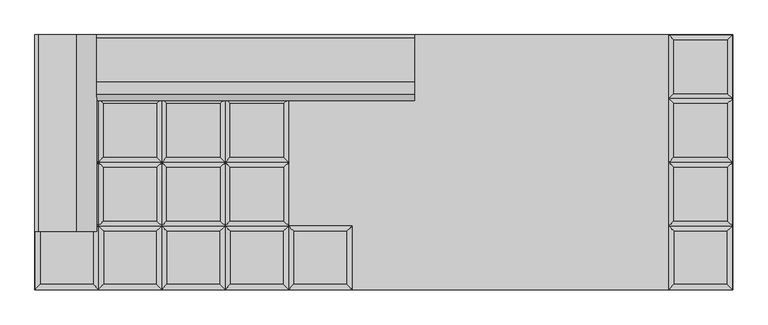
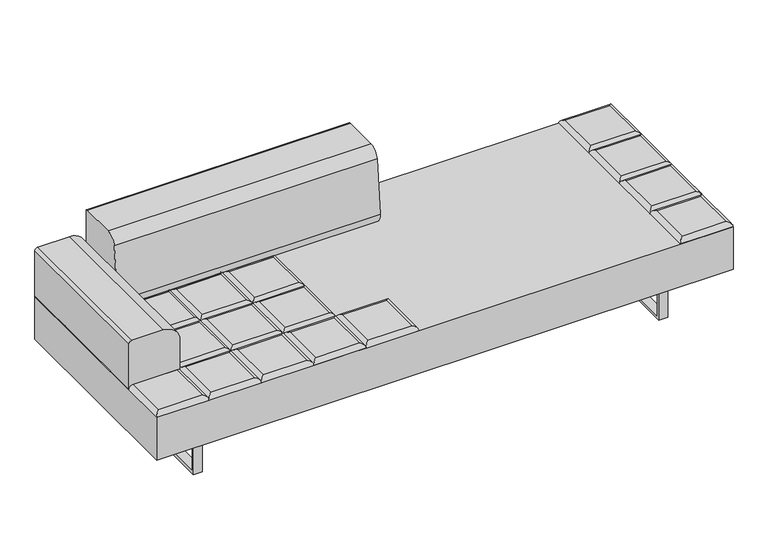
"""IFC4 building model written with IfcOpenShell, lengths in millimetres: furniture geometry."""

from ifc_helpers import new_model, si_unit, point, frame, frame_2d, origin, place, context, project, spatial, polyline, circle_curve, ellipse_curve, trimmed, segment, composite_curve, outline, extrude, source, transform, mapped, element, save
from ifc_brep_helpers import plane_surface, cylinder_surface, advanced_brep


def furniture_4aff1e0e(model_context):
    return source(origin(), model_context, "Body", "SolidModel", [
        advanced_brep(
        [(-109.855, -222.25, 393.7), (-127.8155122, -240.2105122, 411.6605122), (-127.8155122, -426.5394878, 411.6605122), (-109.855, -444.5, 393.7), (-314.1444878, -426.5394878, 411.6605122), (-332.105, -444.5, 393.7), (-314.1444878, -240.2105122, 411.6605122), (-332.105, -222.25, 393.7)],
        [
            (0, 1, ellipse_curve(frame((-127.8155122, -240.2105122, 393.7), z_axis=(0.7071067811865475, -0.7071067811865475, 0.0), x_axis=(0.7071067811865474, 0.7071067811865476, 0.0)), 25.4, 17.9605122)),
            (1, 2),
            (2, 3, ellipse_curve(frame((-127.8155122, -426.5394878, 393.7), z_axis=(0.7071067811865475, 0.7071067811865475, 0.0), x_axis=(-0.7071067811865474, 0.7071067811865476, 0.0)), 25.4, 17.9605122)),
            (3, 0),
            (2, 4),
            (4, 5, ellipse_curve(frame((-314.1444878, -426.5394878, 393.7), z_axis=(0.7071067811865475, -0.7071067811865475, 0.0), x_axis=(0.7071067811865476, 0.7071067811865474, 0.0)), 25.4, 17.9605122)),
            (5, 3),
            (4, 6),
            (6, 7, ellipse_curve(frame((-314.1444878, -240.2105122, 393.7), z_axis=(-0.7071067811865475, -0.7071067811865475, 0.0), x_axis=(0.7071067811865474, -0.7071067811865476, 0.0)), 25.4, 17.9605122)),
            (7, 5),
            (0, 7),
            (6, 1),
        ],
        [
            cylinder_surface(frame((-127.8155122, -222.25, 393.7), z_axis=(0.0, 1.0, 0.0), x_axis=(1.0, 0.0, 0.0)), 17.9605122),
            cylinder_surface(frame((-109.855, -426.5394878, 393.7), z_axis=(1.0, 0.0, 0.0), x_axis=(0.0, -1.0, 0.0)), 17.9605122),
            cylinder_surface(frame((-314.1444878, -444.5, 393.7), z_axis=(0.0, -1.0, 0.0), x_axis=(-1.0, 0.0, 0.0)), 17.9605122),
            cylinder_surface(frame((-332.105, -240.2105122, 393.7), z_axis=(-1.0, 0.0, 0.0), x_axis=(0.0, 1.0, 0.0)), 17.9605122),
            plane_surface(frame((-332.105, -222.25, 393.7), z_axis=(0.0, 0.0, -1.0), x_axis=(1.0, 0.0, 0.0))),
            plane_surface(frame((-314.1444878, -240.2105122, 411.6605122), z_axis=(0.0, 0.0, 1.0), x_axis=(-1.0, 0.0, 0.0))),
        ],
        [
            (0, [[1, 2, 3, 4]]),
            (1, [[-3, 5, 6, 7]]),
            (2, [[-6, 8, 9, 10]]),
            (3, [[-1, 11, -9, 12]]),
            (4, [[-4, -7, -10, -11]]),
            (5, [[-2, -12, -8, -5]]),
        ],
    ),
        advanced_brep(
        [(-348.7955122, -204.2894878, 411.6605122), (-348.7955122, -17.9605122, 411.6605122), (-535.1244878, -17.9605122, 411.6605122), (-535.1244878, -204.2894878, 411.6605122), (-330.835, 0.0, 393.7), (-330.835, -222.25, 393.7), (-553.085, -222.25, 393.7), (-553.085, 0.0, 393.7)],
        [
            (0, 1),
            (1, 2),
            (2, 3),
            (3, 0),
            (4, 5),
            (5, 6),
            (6, 7),
            (7, 4),
            (4, 1, ellipse_curve(frame((-348.7955122, -17.9605122, 393.7), z_axis=(0.7071067811865475, -0.7071067811865475, 0.0), x_axis=(0.7071067811865474, 0.7071067811865476, 0.0)), 25.4, 17.9605122)),
            (0, 5, ellipse_curve(frame((-348.7955122, -204.2894878, 393.7), z_axis=(0.7071067811865475, 0.7071067811865475, 0.0), x_axis=(-0.7071067811865474, 0.7071067811865476, 0.0)), 25.4, 17.9605122)),
            (3, 6, ellipse_curve(frame((-535.1244878, -204.2894878, 393.7), z_axis=(0.7071067811865475, -0.7071067811865475, 0.0), x_axis=(0.7071067811865476, 0.7071067811865474, 0.0)), 25.4, 17.9605122)),
            (2, 7, ellipse_curve(frame((-535.1244878, -17.9605122, 393.7), z_axis=(-0.7071067811865475, -0.7071067811865475, 0.0), x_axis=(0.7071067811865474, -0.7071067811865476, 0.0)), 25.4, 17.9605122)),
        ],
        [
            plane_surface(frame((-535.1244878, -17.9605122, 411.6605122), z_axis=(0.0, 0.0, 1.0), x_axis=(-1.0, 0.0, 0.0))),
            plane_surface(frame((-535.1244878, -17.9605122, 393.7), z_axis=(0.0, 0.0, -1.0), x_axis=(1.0, 0.0, 0.0))),
            cylinder_surface(frame((-348.7955122, 0.0, 393.7), z_axis=(0.0, 1.0, 0.0), x_axis=(1.0, 0.0, 0.0)), 17.9605122),
            cylinder_surface(frame((-330.835, -204.2894878, 393.7), z_axis=(1.0, 0.0, 0.0), x_axis=(0.0, -1.0, 0.0)), 17.9605122),
            cylinder_surface(frame((-535.1244878, -222.25, 393.7), z_axis=(0.0, -1.0, 0.0), x_axis=(-1.0, 0.0, 0.0)), 17.9605122),
            cylinder_surface(frame((-553.085, -17.9605122, 393.7), z_axis=(-1.0, 0.0, 0.0), x_axis=(0.0, 1.0, 0.0)), 17.9605122),
        ],
        [
            (0, [[1, 2, 3, 4]]),
            (1, [[5, 6, 7, 8]]),
            (2, [[9, -1, 10, -5]]),
            (3, [[-10, -4, 11, -6]]),
            (4, [[-11, -3, 12, -7]]),
            (5, [[-9, -8, -12, -2]]),
        ],
    ),
        advanced_brep(
        [(-348.7955122, 17.9605122, 411.6605122), (-348.7955122, 204.2894878, 411.6605122), (-535.1244878, 204.2894878, 411.6605122), (-535.1244878, 17.9605122, 411.6605122), (-330.835, 222.25, 393.7), (-330.835, 0.0, 393.7), (-553.085, 0.0, 393.7), (-553.085, 222.25, 393.7)],
        [
            (0, 1),
            (1, 2),
            (2, 3),
            (3, 0),
            (4, 5),
            (5, 6),
            (6, 7),
            (7, 4),
            (4, 1, ellipse_curve(frame((-348.7955122, 204.2894878, 393.7), z_axis=(0.7071067811865475, -0.7071067811865475, 0.0), x_axis=(0.7071067811865474, 0.7071067811865476, 0.0)), 25.4, 17.9605122)),
            (0, 5, ellipse_curve(frame((-348.7955122, 17.9605122, 393.7), z_axis=(0.7071067811865475, 0.7071067811865475, 0.0), x_axis=(-0.7071067811865474, 0.7071067811865476, 0.0)), 25.4, 17.9605122)),
            (3, 6, ellipse_curve(frame((-535.1244878, 17.9605122, 393.7), z_axis=(0.7071067811865475, -0.7071067811865475, 0.0), x_axis=(0.7071067811865476, 0.7071067811865474, 0.0)), 25.4, 17.9605122)),
            (2, 7, ellipse_curve(frame((-535.1244878, 204.2894878, 393.7), z_axis=(-0.7071067811865475, -0.7071067811865475, 0.0), x_axis=(0.7071067811865474, -0.7071067811865476, 0.0)), 25.4, 17.9605122)),
        ],
        [
            plane_surface(frame((-535.1244878, 204.2894878, 411.6605122), z_axis=(0.0, 0.0, 1.0), x_axis=(-1.0, 0.0, 0.0))),
            plane_surface(frame((-535.1244878, 204.2894878, 393.7), z_axis=(0.0, 0.0, -1.0), x_axis=(1.0, 0.0, 0.0))),
            cylinder_surface(frame((-348.7955122, 222.25, 393.7), z_axis=(0.0, 1.0, 0.0), x_axis=(1.0, 0.0, 0.0)), 17.9605122),
            cylinder_surface(frame((-330.835, 17.9605122, 393.7), z_axis=(1.0, 0.0, 0.0), x_axis=(0.0, -1.0, 0.0)), 17.9605122),
            cylinder_surface(frame((-535.1244878, 0.0, 393.7), z_axis=(0.0, -1.0, 0.0), x_axis=(-1.0, 0.0, 0.0)), 17.9605122),
            cylinder_surface(frame((-553.085, 204.2894878, 393.7), z_axis=(-1.0, 0.0, 0.0), x_axis=(0.0, 1.0, 0.0)), 17.9605122),
        ],
        [
            (0, [[1, 2, 3, 4]]),
            (1, [[5, 6, 7, 8]]),
            (2, [[9, -1, 10, -5]]),
            (3, [[-10, -4, 11, -6]]),
            (4, [[-11, -3, 12, -7]]),
            (5, [[-9, -8, -12, -2]]),
        ],
    ),
        advanced_brep(
        [(-348.7955122, 240.2105122, 411.6605122), (-348.7955122, 426.5394878, 411.6605122), (-535.1244878, 426.5394878, 411.6605122), (-535.1244878, 240.2105122, 411.6605122), (-330.835, 444.5, 393.7), (-330.835, 222.25, 393.7), (-553.085, 222.25, 393.7), (-553.085, 444.5, 393.7)],
        [
            (0, 1),
            (1, 2),
            (2, 3),
            (3, 0),
            (4, 5),
            (5, 6),
            (6, 7),
            (7, 4),
            (4, 1, ellipse_curve(frame((-348.7955122, 426.5394878, 393.7), z_axis=(0.7071067811865475, -0.7071067811865475, 0.0), x_axis=(0.7071067811865474, 0.7071067811865476, 0.0)), 25.4, 17.9605122)),
            (0, 5, ellipse_curve(frame((-348.7955122, 240.2105122, 393.7), z_axis=(0.7071067811865475, 0.7071067811865475, 0.0), x_axis=(-0.7071067811865474, 0.7071067811865476, 0.0)), 25.4, 17.9605122)),
            (3, 6, ellipse_curve(frame((-535.1244878, 240.2105122, 393.7), z_axis=(0.7071067811865475, -0.7071067811865475, 0.0), x_axis=(0.7071067811865476, 0.7071067811865474, 0.0)), 25.4, 17.9605122)),
            (2, 7, ellipse_curve(frame((-535.1244878, 426.5394878, 393.7), z_axis=(-0.7071067811865475, -0.7071067811865475, 0.0), x_axis=(0.7071067811865474, -0.7071067811865476, 0.0)), 25.4, 17.9605122)),
        ],
        [
            plane_surface(frame((-535.1244878, 426.5394878, 411.6605122), z_axis=(0.0, 0.0, 1.0), x_axis=(-1.0, 0.0, 0.0))),
            plane_surface(frame((-535.1244878, 426.5394878, 393.7), z_axis=(0.0, 0.0, -1.0), x_axis=(1.0, 0.0, 0.0))),
            cylinder_surface(frame((-348.7955122, 444.5, 393.7), z_axis=(0.0, 1.0, 0.0), x_axis=(1.0, 0.0, 0.0)), 17.9605122),
            cylinder_surface(frame((-330.835, 240.2105122, 393.7), z_axis=(1.0, 0.0, 0.0), x_axis=(0.0, -1.0, 0.0)), 17.9605122),
            cylinder_surface(frame((-535.1244878, 222.25, 393.7), z_axis=(0.0, -1.0, 0.0), x_axis=(-1.0, 0.0, 0.0)), 17.9605122),
            cylinder_surface(frame((-553.085, 426.5394878, 393.7), z_axis=(-1.0, 0.0, 0.0), x_axis=(0.0, 1.0, 0.0)), 17.9605122),
        ],
        [
            (0, [[1, 2, 3, 4]]),
            (1, [[5, 6, 7, 8]]),
            (2, [[9, -1, 10, -5]]),
            (3, [[-10, -4, 11, -6]]),
            (4, [[-11, -3, 12, -7]]),
            (5, [[-9, -8, -12, -2]]),
        ],
    ),
        advanced_brep(
        [(-330.835, -222.25, 393.7), (-348.7955122, -240.2105122, 411.6605122), (-348.7955122, -426.5394878, 411.6605122), (-330.835, -444.5, 393.7), (-535.1244878, -426.5394878, 411.6605122), (-553.085, -444.5, 393.7), (-535.1244878, -240.2105122, 411.6605122), (-553.085, -222.25, 393.7)],
        [
            (0, 1, ellipse_curve(frame((-348.7955122, -240.2105122, 393.7), z_axis=(0.7071067811865475, -0.7071067811865475, 0.0), x_axis=(0.7071067811865474, 0.7071067811865476, 0.0)), 25.4, 17.9605122)),
            (1, 2),
            (2, 3, ellipse_curve(frame((-348.7955122, -426.5394878, 393.7), z_axis=(0.7071067811865475, 0.7071067811865475, 0.0), x_axis=(-0.7071067811865474, 0.7071067811865476, 0.0)), 25.4, 17.9605122)),
            (3, 0),
            (2, 4),
            (4, 5, ellipse_curve(frame((-535.1244878, -426.5394878, 393.7), z_axis=(0.7071067811865475, -0.7071067811865475, 0.0), x_axis=(0.7071067811865476, 0.7071067811865474, 0.0)), 25.4, 17.9605122)),
            (5, 3),
            (4, 6),
            (6, 7, ellipse_curve(frame((-535.1244878, -240.2105122, 393.7), z_axis=(-0.7071067811865475, -0.7071067811865475, 0.0), x_axis=(0.7071067811865474, -0.7071067811865476, 0.0)), 25.4, 17.9605122)),
            (7, 5),
            (0, 7),
            (6, 1),
        ],
        [
            cylinder_surface(frame((-348.7955122, -222.25, 393.7), z_axis=(0.0, 1.0, 0.0), x_axis=(1.0, 0.0, 0.0)), 17.9605122),
            cylinder_surface(frame((-330.835, -426.5394878, 393.7), z_axis=(1.0, 0.0, 0.0), x_axis=(0.0, -1.0, 0.0)), 17.9605122),
            cylinder_surface(frame((-535.1244878, -444.5, 393.7), z_axis=(0.0, -1.0, 0.0), x_axis=(-1.0, 0.0, 0.0)), 17.9605122),
            cylinder_surface(frame((-553.085, -240.2105122, 393.7), z_axis=(-1.0, 0.0, 0.0), x_axis=(0.0, 1.0, 0.0)), 17.9605122),
            plane_surface(frame((-553.085, -222.25, 393.7), z_axis=(0.0, 0.0, -1.0), x_axis=(1.0, 0.0, 0.0))),
            plane_surface(frame((-535.1244878, -240.2105122, 411.6605122), z_axis=(0.0, 0.0, 1.0), x_axis=(-1.0, 0.0, 0.0))),
        ],
        [
            (0, [[1, 2, 3, 4]]),
            (1, [[-3, 5, 6, 7]]),
            (2, [[-6, 8, 9, 10]]),
            (3, [[-1, 11, -9, 12]]),
            (4, [[-4, -7, -10, -11]]),
            (5, [[-2, -12, -8, -5]]),
        ],
    ),
        advanced_brep(
        [(-569.7755122, -204.2894878, 411.6605122), (-569.7755122, -17.9605122, 411.6605122), (-756.1044878, -17.9605122, 411.6605122), (-756.1044878, -204.2894878, 411.6605122), (-551.815, 0.0, 393.7), (-551.815, -222.25, 393.7), (-774.065, -222.25, 393.7), (-774.065, 0.0, 393.7)],
        [
            (0, 1),
            (1, 2),
            (2, 3),
            (3, 0),
            (4, 5),
            (5, 6),
            (6, 7),
            (7, 4),
            (4, 1, ellipse_curve(frame((-569.7755122, -17.9605122, 393.7), z_axis=(0.7071067811865475, -0.7071067811865475, 0.0), x_axis=(0.7071067811865474, 0.7071067811865476, 0.0)), 25.4, 17.9605122)),
            (0, 5, ellipse_curve(frame((-569.7755122, -204.2894878, 393.7), z_axis=(0.7071067811865475, 0.7071067811865475, 0.0), x_axis=(-0.7071067811865474, 0.7071067811865476, 0.0)), 25.4, 17.9605122)),
            (3, 6, ellipse_curve(frame((-756.1044878, -204.2894878, 393.7), z_axis=(0.7071067811865475, -0.7071067811865475, 0.0), x_axis=(0.7071067811865476, 0.7071067811865474, 0.0)), 25.4, 17.9605122)),
            (2, 7, ellipse_curve(frame((-756.1044878, -17.9605122, 393.7), z_axis=(-0.7071067811865475, -0.7071067811865475, 0.0), x_axis=(0.7071067811865474, -0.7071067811865476, 0.0)), 25.4, 17.9605122)),
        ],
        [
            plane_surface(frame((-756.1044878, -17.9605122, 411.6605122), z_axis=(0.0, 0.0, 1.0), x_axis=(-1.0, 0.0, 0.0))),
            plane_surface(frame((-756.1044878, -17.9605122, 393.7), z_axis=(0.0, 0.0, -1.0), x_axis=(1.0, 0.0, 0.0))),
            cylinder_surface(frame((-569.7755122, 0.0, 393.7), z_axis=(0.0, 1.0, 0.0), x_axis=(1.0, 0.0, 0.0)), 17.9605122),
            cylinder_surface(frame((-551.815, -204.2894878, 393.7), z_axis=(1.0, 0.0, 0.0), x_axis=(0.0, -1.0, 0.0)), 17.9605122),
            cylinder_surface(frame((-756.1044878, -222.25, 393.7), z_axis=(0.0, -1.0, 0.0), x_axis=(-1.0, 0.0, 0.0)), 17.9605122),
            cylinder_surface(frame((-774.065, -17.9605122, 393.7), z_axis=(-1.0, 0.0, 0.0), x_axis=(0.0, 1.0, 0.0)), 17.9605122),
        ],
        [
            (0, [[1, 2, 3, 4]]),
            (1, [[5, 6, 7, 8]]),
            (2, [[9, -1, 10, -5]]),
            (3, [[-10, -4, 11, -6]]),
            (4, [[-11, -3, 12, -7]]),
            (5, [[-9, -8, -12, -2]]),
        ],
    ),
        advanced_brep(
        [(-569.7755122, 17.9605122, 411.6605122), (-569.7755122, 204.2894878, 411.6605122), (-756.1044878, 204.2894878, 411.6605122), (-756.1044878, 17.9605122, 411.6605122), (-551.815, 222.25, 393.7), (-551.815, 0.0, 393.7), (-774.065, 0.0, 393.7), (-774.065, 222.25, 393.7)],
        [
            (0, 1),
            (1, 2),
            (2, 3),
            (3, 0),
            (4, 5),
            (5, 6),
            (6, 7),
            (7, 4),
            (4, 1, ellipse_curve(frame((-569.7755122, 204.2894878, 393.7), z_axis=(0.7071067811865475, -0.7071067811865475, 0.0), x_axis=(0.7071067811865474, 0.7071067811865476, 0.0)), 25.4, 17.9605122)),
            (0, 5, ellipse_curve(frame((-569.7755122, 17.9605122, 393.7), z_axis=(0.7071067811865475, 0.7071067811865475, 0.0), x_axis=(-0.7071067811865474, 0.7071067811865476, 0.0)), 25.4, 17.9605122)),
            (3, 6, ellipse_curve(frame((-756.1044878, 17.9605122, 393.7), z_axis=(0.7071067811865475, -0.7071067811865475, 0.0), x_axis=(0.7071067811865476, 0.7071067811865474, 0.0)), 25.4, 17.9605122)),
            (2, 7, ellipse_curve(frame((-756.1044878, 204.2894878, 393.7), z_axis=(-0.7071067811865475, -0.7071067811865475, 0.0), x_axis=(0.7071067811865474, -0.7071067811865476, 0.0)), 25.4, 17.9605122)),
        ],
        [
            plane_surface(frame((-756.1044878, 204.2894878, 411.6605122), z_axis=(0.0, 0.0, 1.0), x_axis=(-1.0, 0.0, 0.0))),
            plane_surface(frame((-756.1044878, 204.2894878, 393.7), z_axis=(0.0, 0.0, -1.0), x_axis=(1.0, 0.0, 0.0))),
            cylinder_surface(frame((-569.7755122, 222.25, 393.7), z_axis=(0.0, 1.0, 0.0), x_axis=(1.0, 0.0, 0.0)), 17.9605122),
            cylinder_surface(frame((-551.815, 17.9605122, 393.7), z_axis=(1.0, 0.0, 0.0), x_axis=(0.0, -1.0, 0.0)), 17.9605122),
            cylinder_surface(frame((-756.1044878, 0.0, 393.7), z_axis=(0.0, -1.0, 0.0), x_axis=(-1.0, 0.0, 0.0)), 17.9605122),
            cylinder_surface(frame((-774.065, 204.2894878, 393.7), z_axis=(-1.0, 0.0, 0.0), x_axis=(0.0, 1.0, 0.0)), 17.9605122),
        ],
        [
            (0, [[1, 2, 3, 4]]),
            (1, [[5, 6, 7, 8]]),
            (2, [[9, -1, 10, -5]]),
            (3, [[-10, -4, 11, -6]]),
            (4, [[-11, -3, 12, -7]]),
            (5, [[-9, -8, -12, -2]]),
        ],
    ),
        advanced_brep(
        [(-569.7755122, 240.2105122, 411.6605122), (-569.7755122, 426.5394878, 411.6605122), (-756.1044878, 426.5394878, 411.6605122), (-756.1044878, 240.2105122, 411.6605122), (-551.815, 444.5, 393.7), (-551.815, 222.25, 393.7), (-774.065, 222.25, 393.7), (-774.065, 444.5, 393.7)],
        [
            (0, 1),
            (1, 2),
            (2, 3),
            (3, 0),
            (4, 5),
            (5, 6),
            (6, 7),
            (7, 4),
            (4, 1, ellipse_curve(frame((-569.7755122, 426.5394878, 393.7), z_axis=(0.7071067811865475, -0.7071067811865475, 0.0), x_axis=(0.7071067811865474, 0.7071067811865476, 0.0)), 25.4, 17.9605122)),
            (0, 5, ellipse_curve(frame((-569.7755122, 240.2105122, 393.7), z_axis=(0.7071067811865475, 0.7071067811865475, 0.0), x_axis=(-0.7071067811865474, 0.7071067811865476, 0.0)), 25.4, 17.9605122)),
            (3, 6, ellipse_curve(frame((-756.1044878, 240.2105122, 393.7), z_axis=(0.7071067811865475, -0.7071067811865475, 0.0), x_axis=(0.7071067811865476, 0.7071067811865474, 0.0)), 25.4, 17.9605122)),
            (2, 7, ellipse_curve(frame((-756.1044878, 426.5394878, 393.7), z_axis=(-0.7071067811865475, -0.7071067811865475, 0.0), x_axis=(0.7071067811865474, -0.7071067811865476, 0.0)), 25.4, 17.9605122)),
        ],
        [
            plane_surface(frame((-756.1044878, 426.5394878, 411.6605122), z_axis=(0.0, 0.0, 1.0), x_axis=(-1.0, 0.0, 0.0))),
            plane_surface(frame((-756.1044878, 426.5394878, 393.7), z_axis=(0.0, 0.0, -1.0), x_axis=(1.0, 0.0, 0.0))),
            cylinder_surface(frame((-569.7755122, 444.5, 393.7), z_axis=(0.0, 1.0, 0.0), x_axis=(1.0, 0.0, 0.0)), 17.9605122),
            cylinder_surface(frame((-551.815, 240.2105122, 393.7), z_axis=(1.0, 0.0, 0.0), x_axis=(0.0, -1.0, 0.0)), 17.9605122),
            cylinder_surface(frame((-756.1044878, 222.25, 393.7), z_axis=(0.0, -1.0, 0.0), x_axis=(-1.0, 0.0, 0.0)), 17.9605122),
            cylinder_surface(frame((-774.065, 426.5394878, 393.7), z_axis=(-1.0, 0.0, 0.0), x_axis=(0.0, 1.0, 0.0)), 17.9605122),
        ],
        [
            (0, [[1, 2, 3, 4]]),
            (1, [[5, 6, 7, 8]]),
            (2, [[9, -1, 10, -5]]),
            (3, [[-10, -4, 11, -6]]),
            (4, [[-11, -3, 12, -7]]),
            (5, [[-9, -8, -12, -2]]),
        ],
    ),
        advanced_brep(
        [(-551.815, -222.25, 393.7), (-569.7755122, -240.2105122, 411.6605122), (-569.7755122, -426.5394878, 411.6605122), (-551.815, -444.5, 393.7), (-756.1044878, -426.5394878, 411.6605122), (-774.065, -444.5, 393.7), (-756.1044878, -240.2105122, 411.6605122), (-774.065, -222.25, 393.7)],
        [
            (0, 1, ellipse_curve(frame((-569.7755122, -240.2105122, 393.7), z_axis=(0.7071067811865475, -0.7071067811865475, 0.0), x_axis=(0.7071067811865474, 0.7071067811865476, 0.0)), 25.4, 17.9605122)),
            (1, 2),
            (2, 3, ellipse_curve(frame((-569.7755122, -426.5394878, 393.7), z_axis=(0.7071067811865475, 0.7071067811865475, 0.0), x_axis=(-0.7071067811865474, 0.7071067811865476, 0.0)), 25.4, 17.9605122)),
            (3, 0),
            (2, 4),
            (4, 5, ellipse_curve(frame((-756.1044878, -426.5394878, 393.7), z_axis=(0.7071067811865475, -0.7071067811865475, 0.0), x_axis=(0.7071067811865476, 0.7071067811865474, 0.0)), 25.4, 17.9605122)),
            (5, 3),
            (4, 6),
            (6, 7, ellipse_curve(frame((-756.1044878, -240.2105122, 393.7), z_axis=(-0.7071067811865475, -0.7071067811865475, 0.0), x_axis=(0.7071067811865474, -0.7071067811865476, 0.0)), 25.4, 17.9605122)),
            (7, 5),
            (0, 7),
            (6, 1),
        ],
        [
            cylinder_surface(frame((-569.7755122, -222.25, 393.7), z_axis=(0.0, 1.0, 0.0), x_axis=(1.0, 0.0, 0.0)), 17.9605122),
            cylinder_surface(frame((-551.815, -426.5394878, 393.7), z_axis=(1.0, 0.0, 0.0), x_axis=(0.0, -1.0, 0.0)), 17.9605122),
            cylinder_surface(frame((-756.1044878, -444.5, 393.7), z_axis=(0.0, -1.0, 0.0), x_axis=(-1.0, 0.0, 0.0)), 17.9605122),
            cylinder_surface(frame((-774.065, -240.2105122, 393.7), z_axis=(-1.0, 0.0, 0.0), x_axis=(0.0, 1.0, 0.0)), 17.9605122),
            plane_surface(frame((-774.065, -222.25, 393.7), z_axis=(0.0, 0.0, -1.0), x_axis=(1.0, 0.0, 0.0))),
            plane_surface(frame((-756.1044878, -240.2105122, 411.6605122), z_axis=(0.0, 0.0, 1.0), x_axis=(-1.0, 0.0, 0.0))),
        ],
        [
            (0, [[1, 2, 3, 4]]),
            (1, [[-3, 5, 6, 7]]),
            (2, [[-6, 8, 9, 10]]),
            (3, [[-1, 11, -9, 12]]),
            (4, [[-4, -7, -10, -11]]),
            (5, [[-2, -12, -8, -5]]),
        ],
    ),
        advanced_brep(
        [(-790.7555122, -204.2894878, 411.6605122), (-790.7555122, -17.9605122, 411.6605122), (-977.0844878, -17.9605122, 411.6605122), (-977.0844878, -204.2894878, 411.6605122), (-772.795, 0.0, 393.7), (-772.795, -222.25, 393.7), (-995.045, -222.25, 393.7), (-995.045, 0.0, 393.7)],
        [
            (0, 1),
            (1, 2),
            (2, 3),
            (3, 0),
            (4, 5),
            (5, 6),
            (6, 7),
            (7, 4),
            (4, 1, ellipse_curve(frame((-790.7555122, -17.9605122, 393.7), z_axis=(0.7071067811865475, -0.7071067811865475, 0.0), x_axis=(0.7071067811865474, 0.7071067811865476, 0.0)), 25.4, 17.9605122)),
            (0, 5, ellipse_curve(frame((-790.7555122, -204.2894878, 393.7), z_axis=(0.7071067811865475, 0.7071067811865475, 0.0), x_axis=(-0.7071067811865474, 0.7071067811865476, 0.0)), 25.4, 17.9605122)),
            (3, 6, ellipse_curve(frame((-977.0844878, -204.2894878, 393.7), z_axis=(0.7071067811865475, -0.7071067811865475, 0.0), x_axis=(0.7071067811865476, 0.7071067811865474, 0.0)), 25.4, 17.9605122)),
            (2, 7, ellipse_curve(frame((-977.0844878, -17.9605122, 393.7), z_axis=(-0.7071067811865475, -0.7071067811865475, 0.0), x_axis=(0.7071067811865474, -0.7071067811865476, 0.0)), 25.4, 17.9605122)),
        ],
        [
            plane_surface(frame((-977.0844878, -17.9605122, 411.6605122), z_axis=(0.0, 0.0, 1.0), x_axis=(-1.0, 0.0, 0.0))),
            plane_surface(frame((-977.0844878, -17.9605122, 393.7), z_axis=(0.0, 0.0, -1.0), x_axis=(1.0, 0.0, 0.0))),
            cylinder_surface(frame((-790.7555122, 0.0, 393.7), z_axis=(0.0, 1.0, 0.0), x_axis=(1.0, 0.0, 0.0)), 17.9605122),
            cylinder_surface(frame((-772.795, -204.2894878, 393.7), z_axis=(1.0, 0.0, 0.0), x_axis=(0.0, -1.0, 0.0)), 17.9605122),
            cylinder_surface(frame((-977.0844878, -222.25, 393.7), z_axis=(0.0, -1.0, 0.0), x_axis=(-1.0, 0.0, 0.0)), 17.9605122),
            cylinder_surface(frame((-995.045, -17.9605122, 393.7), z_axis=(-1.0, 0.0, 0.0), x_axis=(0.0, 1.0, 0.0)), 17.9605122),
        ],
        [
            (0, [[1, 2, 3, 4]]),
            (1, [[5, 6, 7, 8]]),
            (2, [[9, -1, 10, -5]]),
            (3, [[-10, -4, 11, -6]]),
            (4, [[-11, -3, 12, -7]]),
            (5, [[-9, -8, -12, -2]]),
        ],
    ),
        advanced_brep(
        [(-790.7555122, 17.9605122, 411.6605122), (-790.7555122, 204.2894878, 411.6605122), (-977.0844878, 204.2894878, 411.6605122), (-977.0844878, 17.9605122, 411.6605122), (-772.795, 222.25, 393.7), (-772.795, 0.0, 393.7), (-995.045, 0.0, 393.7), (-995.045, 222.25, 393.7)],
        [
            (0, 1),
            (1, 2),
            (2, 3),
            (3, 0),
            (4, 5),
            (5, 6),
            (6, 7),
            (7, 4),
            (4, 1, ellipse_curve(frame((-790.7555122, 204.2894878, 393.7), z_axis=(0.7071067811865475, -0.7071067811865475, 0.0), x_axis=(0.7071067811865474, 0.7071067811865476, 0.0)), 25.4, 17.9605122)),
            (0, 5, ellipse_curve(frame((-790.7555122, 17.9605122, 393.7), z_axis=(0.7071067811865475, 0.7071067811865475, 0.0), x_axis=(-0.7071067811865474, 0.7071067811865476, 0.0)), 25.4, 17.9605122)),
            (3, 6, ellipse_curve(frame((-977.0844878, 17.9605122, 393.7), z_axis=(0.7071067811865475, -0.7071067811865475, 0.0), x_axis=(0.7071067811865476, 0.7071067811865474, 0.0)), 25.4, 17.9605122)),
            (2, 7, ellipse_curve(frame((-977.0844878, 204.2894878, 393.7), z_axis=(-0.7071067811865475, -0.7071067811865475, 0.0), x_axis=(0.7071067811865474, -0.7071067811865476, 0.0)), 25.4, 17.9605122)),
        ],
        [
            plane_surface(frame((-977.0844878, 204.2894878, 411.6605122), z_axis=(0.0, 0.0, 1.0), x_axis=(-1.0, 0.0, 0.0))),
            plane_surface(frame((-977.0844878, 204.2894878, 393.7), z_axis=(0.0, 0.0, -1.0), x_axis=(1.0, 0.0, 0.0))),
            cylinder_surface(frame((-790.7555122, 222.25, 393.7), z_axis=(0.0, 1.0, 0.0), x_axis=(1.0, 0.0, 0.0)), 17.9605122),
            cylinder_surface(frame((-772.795, 17.9605122, 393.7), z_axis=(1.0, 0.0, 0.0), x_axis=(0.0, -1.0, 0.0)), 17.9605122),
            cylinder_surface(frame((-977.0844878, 0.0, 393.7), z_axis=(0.0, -1.0, 0.0), x_axis=(-1.0, 0.0, 0.0)), 17.9605122),
            cylinder_surface(frame((-995.045, 204.2894878, 393.7), z_axis=(-1.0, 0.0, 0.0), x_axis=(0.0, 1.0, 0.0)), 17.9605122),
        ],
        [
            (0, [[1, 2, 3, 4]]),
            (1, [[5, 6, 7, 8]]),
            (2, [[9, -1, 10, -5]]),
            (3, [[-10, -4, 11, -6]]),
            (4, [[-11, -3, 12, -7]]),
            (5, [[-9, -8, -12, -2]]),
        ],
    ),
        advanced_brep(
        [(-790.7555122, 240.2105122, 411.6605122), (-790.7555122, 426.5394878, 411.6605122), (-977.0844878, 426.5394878, 411.6605122), (-977.0844878, 240.2105122, 411.6605122), (-772.795, 444.5, 393.7), (-772.795, 222.25, 393.7), (-995.045, 222.25, 393.7), (-995.045, 444.5, 393.7)],
        [
            (0, 1),
            (1, 2),
            (2, 3),
            (3, 0),
            (4, 5),
            (5, 6),
            (6, 7),
            (7, 4),
            (4, 1, ellipse_curve(frame((-790.7555122, 426.5394878, 393.7), z_axis=(0.7071067811865475, -0.7071067811865475, 0.0), x_axis=(0.7071067811865474, 0.7071067811865476, 0.0)), 25.4, 17.9605122)),
            (0, 5, ellipse_curve(frame((-790.7555122, 240.2105122, 393.7), z_axis=(0.7071067811865475, 0.7071067811865475, 0.0), x_axis=(-0.7071067811865474, 0.7071067811865476, 0.0)), 25.4, 17.9605122)),
            (3, 6, ellipse_curve(frame((-977.0844878, 240.2105122, 393.7), z_axis=(0.7071067811865475, -0.7071067811865475, 0.0), x_axis=(0.7071067811865476, 0.7071067811865474, 0.0)), 25.4, 17.9605122)),
            (2, 7, ellipse_curve(frame((-977.0844878, 426.5394878, 393.7), z_axis=(-0.7071067811865475, -0.7071067811865475, 0.0), x_axis=(0.7071067811865474, -0.7071067811865476, 0.0)), 25.4, 17.9605122)),
        ],
        [
            plane_surface(frame((-977.0844878, 426.5394878, 411.6605122), z_axis=(0.0, 0.0, 1.0), x_axis=(-1.0, 0.0, 0.0))),
            plane_surface(frame((-977.0844878, 426.5394878, 393.7), z_axis=(0.0, 0.0, -1.0), x_axis=(1.0, 0.0, 0.0))),
            cylinder_surface(frame((-790.7555122, 444.5, 393.7), z_axis=(0.0, 1.0, 0.0), x_axis=(1.0, 0.0, 0.0)), 17.9605122),
            cylinder_surface(frame((-772.795, 240.2105122, 393.7), z_axis=(1.0, 0.0, 0.0), x_axis=(0.0, -1.0, 0.0)), 17.9605122),
            cylinder_surface(frame((-977.0844878, 222.25, 393.7), z_axis=(0.0, -1.0, 0.0), x_axis=(-1.0, 0.0, 0.0)), 17.9605122),
            cylinder_surface(frame((-995.045, 426.5394878, 393.7), z_axis=(-1.0, 0.0, 0.0), x_axis=(0.0, 1.0, 0.0)), 17.9605122),
        ],
        [
            (0, [[1, 2, 3, 4]]),
            (1, [[5, 6, 7, 8]]),
            (2, [[9, -1, 10, -5]]),
            (3, [[-10, -4, 11, -6]]),
            (4, [[-11, -3, 12, -7]]),
            (5, [[-9, -8, -12, -2]]),
        ],
    ),
        advanced_brep(
        [(-772.795, -222.25, 393.7), (-790.7555122, -240.2105122, 411.6605122), (-790.7555122, -426.5394878, 411.6605122), (-772.795, -444.5, 393.7), (-977.0844878, -426.5394878, 411.6605122), (-995.045, -444.5, 393.7), (-977.0844878, -240.2105122, 411.6605122), (-995.045, -222.25, 393.7)],
        [
            (0, 1, ellipse_curve(frame((-790.7555122, -240.2105122, 393.7), z_axis=(0.7071067811865475, -0.7071067811865475, 0.0), x_axis=(0.7071067811865474, 0.7071067811865476, 0.0)), 25.4, 17.9605122)),
            (1, 2),
            (2, 3, ellipse_curve(frame((-790.7555122, -426.5394878, 393.7), z_axis=(0.7071067811865475, 0.7071067811865475, 0.0), x_axis=(-0.7071067811865474, 0.7071067811865476, 0.0)), 25.4, 17.9605122)),
            (3, 0),
            (2, 4),
            (4, 5, ellipse_curve(frame((-977.0844878, -426.5394878, 393.7), z_axis=(0.7071067811865475, -0.7071067811865475, 0.0), x_axis=(0.7071067811865476, 0.7071067811865474, 0.0)), 25.4, 17.9605122)),
            (5, 3),
            (4, 6),
            (6, 7, ellipse_curve(frame((-977.0844878, -240.2105122, 393.7), z_axis=(-0.7071067811865475, -0.7071067811865475, 0.0), x_axis=(0.7071067811865474, -0.7071067811865476, 0.0)), 25.4, 17.9605122)),
            (7, 5),
            (0, 7),
            (6, 1),
        ],
        [
            cylinder_surface(frame((-790.7555122, -222.25, 393.7), z_axis=(0.0, 1.0, 0.0), x_axis=(1.0, 0.0, 0.0)), 17.9605122),
            cylinder_surface(frame((-772.795, -426.5394878, 393.7), z_axis=(1.0, 0.0, 0.0), x_axis=(0.0, -1.0, 0.0)), 17.9605122),
            cylinder_surface(frame((-977.0844878, -444.5, 393.7), z_axis=(0.0, -1.0, 0.0), x_axis=(-1.0, 0.0, 0.0)), 17.9605122),
            cylinder_surface(frame((-995.045, -240.2105122, 393.7), z_axis=(-1.0, 0.0, 0.0), x_axis=(0.0, 1.0, 0.0)), 17.9605122),
            plane_surface(frame((-995.045, -222.25, 393.7), z_axis=(0.0, 0.0, -1.0), x_axis=(1.0, 0.0, 0.0))),
            plane_surface(frame((-977.0844878, -240.2105122, 411.6605122), z_axis=(0.0, 0.0, 1.0), x_axis=(-1.0, 0.0, 0.0))),
        ],
        [
            (0, [[1, 2, 3, 4]]),
            (1, [[-3, 5, 6, 7]]),
            (2, [[-6, 8, 9, 10]]),
            (3, [[-1, 11, -9, 12]]),
            (4, [[-4, -7, -10, -11]]),
            (5, [[-2, -12, -8, -5]]),
        ],
    ),
        advanced_brep(
        [(1198.0644878, -204.2894878, 411.6605122), (1198.0644878, -17.9605122, 411.6605122), (1011.7355122, -17.9605122, 411.6605122), (1011.7355122, -204.2894878, 411.6605122), (1216.025, 0.0, 393.7), (1216.025, -222.25, 393.7), (993.775, -222.25, 393.7), (993.775, 0.0, 393.7)],
        [
            (0, 1),
            (1, 2),
            (2, 3),
            (3, 0),
            (4, 5),
            (5, 6),
            (6, 7),
            (7, 4),
            (4, 1, ellipse_curve(frame((1198.0644878, -17.9605122, 393.7), z_axis=(0.7071067811865475, -0.7071067811865475, 0.0), x_axis=(0.7071067811865474, 0.7071067811865476, 0.0)), 25.4, 17.9605122)),
            (0, 5, ellipse_curve(frame((1198.0644878, -204.2894878, 393.7), z_axis=(0.7071067811865475, 0.7071067811865475, 0.0), x_axis=(-0.7071067811865474, 0.7071067811865476, 0.0)), 25.4, 17.9605122)),
            (3, 6, ellipse_curve(frame((1011.7355122, -204.2894878, 393.7), z_axis=(0.7071067811865475, -0.7071067811865475, 0.0), x_axis=(0.7071067811865476, 0.7071067811865474, 0.0)), 25.4, 17.9605122)),
            (2, 7, ellipse_curve(frame((1011.7355122, -17.9605122, 393.7), z_axis=(-0.7071067811865475, -0.7071067811865475, 0.0), x_axis=(0.7071067811865474, -0.7071067811865476, 0.0)), 25.4, 17.9605122)),
        ],
        [
            plane_surface(frame((1011.7355122, -17.9605122, 411.6605122), z_axis=(0.0, 0.0, 1.0), x_axis=(-1.0, 0.0, 0.0))),
            plane_surface(frame((1011.7355122, -17.9605122, 393.7), z_axis=(0.0, 0.0, -1.0), x_axis=(1.0, 0.0, 0.0))),
            cylinder_surface(frame((1198.0644878, 0.0, 393.7), z_axis=(0.0, 1.0, 0.0), x_axis=(1.0, 0.0, 0.0)), 17.9605122),
            cylinder_surface(frame((1216.025, -204.2894878, 393.7), z_axis=(1.0, 0.0, 0.0), x_axis=(0.0, -1.0, 0.0)), 17.9605122),
            cylinder_surface(frame((1011.7355122, -222.25, 393.7), z_axis=(0.0, -1.0, 0.0), x_axis=(-1.0, 0.0, 0.0)), 17.9605122),
            cylinder_surface(frame((993.775, -17.9605122, 393.7), z_axis=(-1.0, 0.0, 0.0), x_axis=(0.0, 1.0, 0.0)), 17.9605122),
        ],
        [
            (0, [[1, 2, 3, 4]]),
            (1, [[5, 6, 7, 8]]),
            (2, [[9, -1, 10, -5]]),
            (3, [[-10, -4, 11, -6]]),
            (4, [[-11, -3, 12, -7]]),
            (5, [[-9, -8, -12, -2]]),
        ],
    ),
        advanced_brep(
        [(1198.0644878, 17.9605122, 411.6605122), (1198.0644878, 204.2894878, 411.6605122), (1011.7355122, 204.2894878, 411.6605122), (1011.7355122, 17.9605122, 411.6605122), (1216.025, 222.25, 393.7), (1216.025, 0.0, 393.7), (993.775, 0.0, 393.7), (993.775, 222.25, 393.7)],
        [
            (0, 1),
            (1, 2),
            (2, 3),
            (3, 0),
            (4, 5),
            (5, 6),
            (6, 7),
            (7, 4),
            (4, 1, ellipse_curve(frame((1198.0644878, 204.2894878, 393.7), z_axis=(0.7071067811865475, -0.7071067811865475, 0.0), x_axis=(0.7071067811865474, 0.7071067811865476, 0.0)), 25.4, 17.9605122)),
            (0, 5, ellipse_curve(frame((1198.0644878, 17.9605122, 393.7), z_axis=(0.7071067811865475, 0.7071067811865475, 0.0), x_axis=(-0.7071067811865474, 0.7071067811865476, 0.0)), 25.4, 17.9605122)),
            (3, 6, ellipse_curve(frame((1011.7355122, 17.9605122, 393.7), z_axis=(0.7071067811865475, -0.7071067811865475, 0.0), x_axis=(0.7071067811865476, 0.7071067811865474, 0.0)), 25.4, 17.9605122)),
            (2, 7, ellipse_curve(frame((1011.7355122, 204.2894878, 393.7), z_axis=(-0.7071067811865475, -0.7071067811865475, 0.0), x_axis=(0.7071067811865474, -0.7071067811865476, 0.0)), 25.4, 17.9605122)),
        ],
        [
            plane_surface(frame((1011.7355122, 204.2894878, 411.6605122), z_axis=(0.0, 0.0, 1.0), x_axis=(-1.0, 0.0, 0.0))),
            plane_surface(frame((1011.7355122, 204.2894878, 393.7), z_axis=(0.0, 0.0, -1.0), x_axis=(1.0, 0.0, 0.0))),
            cylinder_surface(frame((1198.0644878, 222.25, 393.7), z_axis=(0.0, 1.0, 0.0), x_axis=(1.0, 0.0, 0.0)), 17.9605122),
            cylinder_surface(frame((1216.025, 17.9605122, 393.7), z_axis=(1.0, 0.0, 0.0), x_axis=(0.0, -1.0, 0.0)), 17.9605122),
            cylinder_surface(frame((1011.7355122, 0.0, 393.7), z_axis=(0.0, -1.0, 0.0), x_axis=(-1.0, 0.0, 0.0)), 17.9605122),
            cylinder_surface(frame((993.775, 204.2894878, 393.7), z_axis=(-1.0, 0.0, 0.0), x_axis=(0.0, 1.0, 0.0)), 17.9605122),
        ],
        [
            (0, [[1, 2, 3, 4]]),
            (1, [[5, 6, 7, 8]]),
            (2, [[9, -1, 10, -5]]),
            (3, [[-10, -4, 11, -6]]),
            (4, [[-11, -3, 12, -7]]),
            (5, [[-9, -8, -12, -2]]),
        ],
    ),
        advanced_brep(
        [(1198.0644878, 240.2105122, 411.6605122), (1198.0644878, 426.5394878, 411.6605122), (1011.7355122, 426.5394878, 411.6605122), (1011.7355122, 240.2105122, 411.6605122), (1216.025, 444.5, 393.7), (1216.025, 222.25, 393.7), (993.775, 222.25, 393.7), (993.775, 444.5, 393.7)],
        [
            (0, 1),
            (1, 2),
            (2, 3),
            (3, 0),
            (4, 5),
            (5, 6),
            (6, 7),
            (7, 4),
            (4, 1, ellipse_curve(frame((1198.0644878, 426.5394878, 393.7), z_axis=(0.7071067811865475, -0.7071067811865475, 0.0), x_axis=(0.7071067811865474, 0.7071067811865476, 0.0)), 25.4, 17.9605122)),
            (0, 5, ellipse_curve(frame((1198.0644878, 240.2105122, 393.7), z_axis=(0.7071067811865475, 0.7071067811865475, 0.0), x_axis=(-0.7071067811865474, 0.7071067811865476, 0.0)), 25.4, 17.9605122)),
            (3, 6, ellipse_curve(frame((1011.7355122, 240.2105122, 393.7), z_axis=(0.7071067811865475, -0.7071067811865475, 0.0), x_axis=(0.7071067811865476, 0.7071067811865474, 0.0)), 25.4, 17.9605122)),
            (2, 7, ellipse_curve(frame((1011.7355122, 426.5394878, 393.7), z_axis=(-0.7071067811865475, -0.7071067811865475, 0.0), x_axis=(0.7071067811865474, -0.7071067811865476, 0.0)), 25.4, 17.9605122)),
        ],
        [
            plane_surface(frame((1011.7355122, 426.5394878, 411.6605122), z_axis=(0.0, 0.0, 1.0), x_axis=(-1.0, 0.0, 0.0))),
            plane_surface(frame((1011.7355122, 426.5394878, 393.7), z_axis=(0.0, 0.0, -1.0), x_axis=(1.0, 0.0, 0.0))),
            cylinder_surface(frame((1198.0644878, 444.5, 393.7), z_axis=(0.0, 1.0, 0.0), x_axis=(1.0, 0.0, 0.0)), 17.9605122),
            cylinder_surface(frame((1216.025, 240.2105122, 393.7), z_axis=(1.0, 0.0, 0.0), x_axis=(0.0, -1.0, 0.0)), 17.9605122),
            cylinder_surface(frame((1011.7355122, 222.25, 393.7), z_axis=(0.0, -1.0, 0.0), x_axis=(-1.0, 0.0, 0.0)), 17.9605122),
            cylinder_surface(frame((993.775, 426.5394878, 393.7), z_axis=(-1.0, 0.0, 0.0), x_axis=(0.0, 1.0, 0.0)), 17.9605122),
        ],
        [
            (0, [[1, 2, 3, 4]]),
            (1, [[5, 6, 7, 8]]),
            (2, [[9, -1, 10, -5]]),
            (3, [[-10, -4, 11, -6]]),
            (4, [[-11, -3, 12, -7]]),
            (5, [[-9, -8, -12, -2]]),
        ],
    ),
        advanced_brep(
        [(1216.025, -222.25, 393.7), (1198.0644878, -240.2105122, 411.6605122), (1198.0644878, -426.5394878, 411.6605122), (1216.025, -444.5, 393.7), (1011.7355122, -426.5394878, 411.6605122), (993.775, -444.5, 393.7), (1011.7355122, -240.2105122, 411.6605122), (993.775, -222.25, 393.7)],
        [
            (0, 1, ellipse_curve(frame((1198.0644878, -240.2105122, 393.7), z_axis=(0.7071067811865475, -0.7071067811865475, 0.0), x_axis=(0.7071067811865474, 0.7071067811865476, 0.0)), 25.4, 17.9605122)),
            (1, 2),
            (2, 3, ellipse_curve(frame((1198.0644878, -426.5394878, 393.7), z_axis=(0.7071067811865475, 0.7071067811865475, 0.0), x_axis=(-0.7071067811865474, 0.7071067811865476, 0.0)), 25.4, 17.9605122)),
            (3, 0),
            (2, 4),
            (4, 5, ellipse_curve(frame((1011.7355122, -426.5394878, 393.7), z_axis=(0.7071067811865475, -0.7071067811865475, 0.0), x_axis=(0.7071067811865476, 0.7071067811865474, 0.0)), 25.4, 17.9605122)),
            (5, 3),
            (4, 6),
            (6, 7, ellipse_curve(frame((1011.7355122, -240.2105122, 393.7), z_axis=(-0.7071067811865475, -0.7071067811865475, 0.0), x_axis=(0.7071067811865474, -0.7071067811865476, 0.0)), 25.4, 17.9605122)),
            (7, 5),
            (0, 7),
            (6, 1),
        ],
        [
            cylinder_surface(frame((1198.0644878, -222.25, 393.7), z_axis=(0.0, 1.0, 0.0), x_axis=(1.0, 0.0, 0.0)), 17.9605122),
            cylinder_surface(frame((1216.025, -426.5394878, 393.7), z_axis=(1.0, 0.0, 0.0), x_axis=(0.0, -1.0, 0.0)), 17.9605122),
            cylinder_surface(frame((1011.7355122, -444.5, 393.7), z_axis=(0.0, -1.0, 0.0), x_axis=(-1.0, 0.0, 0.0)), 17.9605122),
            cylinder_surface(frame((993.775, -240.2105122, 393.7), z_axis=(-1.0, 0.0, 0.0), x_axis=(0.0, 1.0, 0.0)), 17.9605122),
            plane_surface(frame((993.775, -222.25, 393.7), z_axis=(0.0, 0.0, -1.0), x_axis=(1.0, 0.0, 0.0))),
            plane_surface(frame((1011.7355122, -240.2105122, 411.6605122), z_axis=(0.0, 0.0, 1.0), x_axis=(-1.0, 0.0, 0.0))),
        ],
        [
            (0, [[1, 2, 3, 4]]),
            (1, [[-3, 5, 6, 7]]),
            (2, [[-6, 8, 9, 10]]),
            (3, [[-1, 11, -9, 12]]),
            (4, [[-4, -7, -10, -11]]),
            (5, [[-2, -12, -8, -5]]),
        ],
    ),
        advanced_brep(
        [(-1011.7355122, -204.2894878, 411.6605122), (-1011.7355122, -17.9605122, 411.6605122), (-1198.0644878, -17.9605122, 411.6605122), (-1198.0644878, -204.2894878, 411.6605122), (-993.775, 0.0, 393.7), (-993.775, -222.25, 393.7), (-1216.025, -222.25, 393.7), (-1216.025, 0.0, 393.7)],
        [
            (0, 1),
            (1, 2),
            (2, 3),
            (3, 0),
            (4, 5),
            (5, 6),
            (6, 7),
            (7, 4),
            (4, 1, ellipse_curve(frame((-1011.7355122, -17.9605122, 393.7), z_axis=(0.7071067811865475, -0.7071067811865475, 0.0), x_axis=(0.7071067811865474, 0.7071067811865476, 0.0)), 25.4, 17.9605122)),
            (0, 5, ellipse_curve(frame((-1011.7355122, -204.2894878, 393.7), z_axis=(0.7071067811865475, 0.7071067811865475, 0.0), x_axis=(-0.7071067811865474, 0.7071067811865476, 0.0)), 25.4, 17.9605122)),
            (3, 6, ellipse_curve(frame((-1198.0644878, -204.2894878, 393.7), z_axis=(0.7071067811865475, -0.7071067811865475, 0.0), x_axis=(0.7071067811865476, 0.7071067811865474, 0.0)), 25.4, 17.9605122)),
            (2, 7, ellipse_curve(frame((-1198.0644878, -17.9605122, 393.7), z_axis=(-0.7071067811865475, -0.7071067811865475, 0.0), x_axis=(0.7071067811865474, -0.7071067811865476, 0.0)), 25.4, 17.9605122)),
        ],
        [
            plane_surface(frame((-1198.0644878, -17.9605122, 411.6605122), z_axis=(0.0, 0.0, 1.0), x_axis=(-1.0, 0.0, 0.0))),
            plane_surface(frame((-1198.0644878, -17.9605122, 393.7), z_axis=(0.0, 0.0, -1.0), x_axis=(1.0, 0.0, 0.0))),
            cylinder_surface(frame((-1011.7355122, 0.0, 393.7), z_axis=(0.0, 1.0, 0.0), x_axis=(1.0, 0.0, 0.0)), 17.9605122),
            cylinder_surface(frame((-993.775, -204.2894878, 393.7), z_axis=(1.0, 0.0, 0.0), x_axis=(0.0, -1.0, 0.0)), 17.9605122),
            cylinder_surface(frame((-1198.0644878, -222.25, 393.7), z_axis=(0.0, -1.0, 0.0), x_axis=(-1.0, 0.0, 0.0)), 17.9605122),
            cylinder_surface(frame((-1216.025, -17.9605122, 393.7), z_axis=(-1.0, 0.0, 0.0), x_axis=(0.0, 1.0, 0.0)), 17.9605122),
        ],
        [
            (0, [[1, 2, 3, 4]]),
            (1, [[5, 6, 7, 8]]),
            (2, [[9, -1, 10, -5]]),
            (3, [[-10, -4, 11, -6]]),
            (4, [[-11, -3, 12, -7]]),
            (5, [[-9, -8, -12, -2]]),
        ],
    ),
        advanced_brep(
        [(-1011.7355122, 17.9605122, 411.6605122), (-1011.7355122, 204.2894878, 411.6605122), (-1198.0644878, 204.2894878, 411.6605122), (-1198.0644878, 17.9605122, 411.6605122), (-993.775, 222.25, 393.7), (-993.775, 0.0, 393.7), (-1216.025, 0.0, 393.7), (-1216.025, 222.25, 393.7)],
        [
            (0, 1),
            (1, 2),
            (2, 3),
            (3, 0),
            (4, 5),
            (5, 6),
            (6, 7),
            (7, 4),
            (4, 1, ellipse_curve(frame((-1011.7355122, 204.2894878, 393.7), z_axis=(0.7071067811865475, -0.7071067811865475, 0.0), x_axis=(0.7071067811865474, 0.7071067811865476, 0.0)), 25.4, 17.9605122)),
            (0, 5, ellipse_curve(frame((-1011.7355122, 17.9605122, 393.7), z_axis=(0.7071067811865475, 0.7071067811865475, 0.0), x_axis=(-0.7071067811865474, 0.7071067811865476, 0.0)), 25.4, 17.9605122)),
            (3, 6, ellipse_curve(frame((-1198.0644878, 17.9605122, 393.7), z_axis=(0.7071067811865475, -0.7071067811865475, 0.0), x_axis=(0.7071067811865476, 0.7071067811865474, 0.0)), 25.4, 17.9605122)),
            (2, 7, ellipse_curve(frame((-1198.0644878, 204.2894878, 393.7), z_axis=(-0.7071067811865475, -0.7071067811865475, 0.0), x_axis=(0.7071067811865474, -0.7071067811865476, 0.0)), 25.4, 17.9605122)),
        ],
        [
            plane_surface(frame((-1198.0644878, 204.2894878, 411.6605122), z_axis=(0.0, 0.0, 1.0), x_axis=(-1.0, 0.0, 0.0))),
            plane_surface(frame((-1198.0644878, 204.2894878, 393.7), z_axis=(0.0, 0.0, -1.0), x_axis=(1.0, 0.0, 0.0))),
            cylinder_surface(frame((-1011.7355122, 222.25, 393.7), z_axis=(0.0, 1.0, 0.0), x_axis=(1.0, 0.0, 0.0)), 17.9605122),
            cylinder_surface(frame((-993.775, 17.9605122, 393.7), z_axis=(1.0, 0.0, 0.0), x_axis=(0.0, -1.0, 0.0)), 17.9605122),
            cylinder_surface(frame((-1198.0644878, 0.0, 393.7), z_axis=(0.0, -1.0, 0.0), x_axis=(-1.0, 0.0, 0.0)), 17.9605122),
            cylinder_surface(frame((-1216.025, 204.2894878, 393.7), z_axis=(-1.0, 0.0, 0.0), x_axis=(0.0, 1.0, 0.0)), 17.9605122),
        ],
        [
            (0, [[1, 2, 3, 4]]),
            (1, [[5, 6, 7, 8]]),
            (2, [[9, -1, 10, -5]]),
            (3, [[-10, -4, 11, -6]]),
            (4, [[-11, -3, 12, -7]]),
            (5, [[-9, -8, -12, -2]]),
        ],
    ),
        advanced_brep(
        [(-1011.7355122, 240.2105122, 411.6605122), (-1011.7355122, 426.5394878, 411.6605122), (-1198.0644878, 426.5394878, 411.6605122), (-1198.0644878, 240.2105122, 411.6605122), (-993.775, 444.5, 393.7), (-993.775, 222.25, 393.7), (-1216.025, 222.25, 393.7), (-1216.025, 444.5, 393.7)],
        [
            (0, 1),
            (1, 2),
            (2, 3),
            (3, 0),
            (4, 5),
            (5, 6),
            (6, 7),
            (7, 4),
            (4, 1, ellipse_curve(frame((-1011.7355122, 426.5394878, 393.7), z_axis=(0.7071067811865475, -0.7071067811865475, 0.0), x_axis=(0.7071067811865474, 0.7071067811865476, 0.0)), 25.4, 17.9605122)),
            (0, 5, ellipse_curve(frame((-1011.7355122, 240.2105122, 393.7), z_axis=(0.7071067811865475, 0.7071067811865475, 0.0), x_axis=(-0.7071067811865474, 0.7071067811865476, 0.0)), 25.4, 17.9605122)),
            (3, 6, ellipse_curve(frame((-1198.0644878, 240.2105122, 393.7), z_axis=(0.7071067811865475, -0.7071067811865475, 0.0), x_axis=(0.7071067811865476, 0.7071067811865474, 0.0)), 25.4, 17.9605122)),
            (2, 7, ellipse_curve(frame((-1198.0644878, 426.5394878, 393.7), z_axis=(-0.7071067811865475, -0.7071067811865475, 0.0), x_axis=(0.7071067811865474, -0.7071067811865476, 0.0)), 25.4, 17.9605122)),
        ],
        [
            plane_surface(frame((-1198.0644878, 426.5394878, 411.6605122), z_axis=(0.0, 0.0, 1.0), x_axis=(-1.0, 0.0, 0.0))),
            plane_surface(frame((-1198.0644878, 426.5394878, 393.7), z_axis=(0.0, 0.0, -1.0), x_axis=(1.0, 0.0, 0.0))),
            cylinder_surface(frame((-1011.7355122, 444.5, 393.7), z_axis=(0.0, 1.0, 0.0), x_axis=(1.0, 0.0, 0.0)), 17.9605122),
            cylinder_surface(frame((-993.775, 240.2105122, 393.7), z_axis=(1.0, 0.0, 0.0), x_axis=(0.0, -1.0, 0.0)), 17.9605122),
            cylinder_surface(frame((-1198.0644878, 222.25, 393.7), z_axis=(0.0, -1.0, 0.0), x_axis=(-1.0, 0.0, 0.0)), 17.9605122),
            cylinder_surface(frame((-1216.025, 426.5394878, 393.7), z_axis=(-1.0, 0.0, 0.0), x_axis=(0.0, 1.0, 0.0)), 17.9605122),
        ],
        [
            (0, [[1, 2, 3, 4]]),
            (1, [[5, 6, 7, 8]]),
            (2, [[9, -1, 10, -5]]),
            (3, [[-10, -4, 11, -6]]),
            (4, [[-11, -3, 12, -7]]),
            (5, [[-9, -8, -12, -2]]),
        ],
    ),
        advanced_brep(
        [(-993.775, -222.25, 393.7), (-1011.7355122, -240.2105122, 411.6605122), (-1011.7355122, -426.5394878, 411.6605122), (-993.775, -444.5, 393.7), (-1198.0644878, -426.5394878, 411.6605122), (-1216.025, -444.5, 393.7), (-1198.0644878, -240.2105122, 411.6605122), (-1216.025, -222.25, 393.7)],
        [
            (0, 1, ellipse_curve(frame((-1011.7355122, -240.2105122, 393.7), z_axis=(0.7071067811865475, -0.7071067811865475, 0.0), x_axis=(0.7071067811865474, 0.7071067811865476, 0.0)), 25.4, 17.9605122)),
            (1, 2),
            (2, 3, ellipse_curve(frame((-1011.7355122, -426.5394878, 393.7), z_axis=(0.7071067811865475, 0.7071067811865475, 0.0), x_axis=(-0.7071067811865474, 0.7071067811865476, 0.0)), 25.4, 17.9605122)),
            (3, 0),
            (2, 4),
            (4, 5, ellipse_curve(frame((-1198.0644878, -426.5394878, 393.7), z_axis=(0.7071067811865475, -0.7071067811865475, 0.0), x_axis=(0.7071067811865476, 0.7071067811865474, 0.0)), 25.4, 17.9605122)),
            (5, 3),
            (4, 6),
            (6, 7, ellipse_curve(frame((-1198.0644878, -240.2105122, 393.7), z_axis=(-0.7071067811865475, -0.7071067811865475, 0.0), x_axis=(0.7071067811865474, -0.7071067811865476, 0.0)), 25.4, 17.9605122)),
            (7, 5),
            (0, 7),
            (6, 1),
        ],
        [
            cylinder_surface(frame((-1011.7355122, -222.25, 393.7), z_axis=(0.0, 1.0, 0.0), x_axis=(1.0, 0.0, 0.0)), 17.9605122),
            cylinder_surface(frame((-993.775, -426.5394878, 393.7), z_axis=(1.0, 0.0, 0.0), x_axis=(0.0, -1.0, 0.0)), 17.9605122),
            cylinder_surface(frame((-1198.0644878, -444.5, 393.7), z_axis=(0.0, -1.0, 0.0), x_axis=(-1.0, 0.0, 0.0)), 17.9605122),
            cylinder_surface(frame((-1216.025, -240.2105122, 393.7), z_axis=(-1.0, 0.0, 0.0), x_axis=(0.0, 1.0, 0.0)), 17.9605122),
            plane_surface(frame((-1216.025, -222.25, 393.7), z_axis=(0.0, 0.0, -1.0), x_axis=(1.0, 0.0, 0.0))),
            plane_surface(frame((-1198.0644878, -240.2105122, 411.6605122), z_axis=(0.0, 0.0, 1.0), x_axis=(-1.0, 0.0, 0.0))),
        ],
        [
            (0, [[1, 2, 3, 4]]),
            (1, [[-3, 5, 6, 7]]),
            (2, [[-6, 8, 9, 10]]),
            (3, [[-1, 11, -9, 12]]),
            (4, [[-4, -7, -10, -11]]),
            (5, [[-2, -12, -8, -5]]),
        ],
    ),
        extrude(outline(polyline([(-339.4724839, 0.0), (-339.4724839, 203.2), (341.6588694, 203.2), (341.6588694, 0.0), (-339.4724839, 0.0)]), holes=[polyline([(-326.7724839, 190.5), (-326.7724839, 12.7), (328.9588694, 12.7), (328.9588694, 190.5), (-326.7724839, 190.5)])]), frame((-1000.125, 0.0, 0.0), z_axis=(1.0, 0.0, 0.0), x_axis=(0.0, 1.0, 0.0)), (0.0, 0.0, 1.0), 38.0999535),
        extrude(outline(polyline([(-339.4724839, 203.2), (341.6588694, 203.2), (341.6588694, 0.0), (-339.4724839, 0.0), (-339.4724839, 203.2)]), holes=[polyline([(-326.7724839, 12.7), (328.9588694, 12.7), (328.9588694, 190.5), (-326.7724839, 190.5), (-326.7724839, 12.7)])]), frame((962.0250465, 0.0, 0.0), z_axis=(1.0, 0.0, 0.0), x_axis=(0.0, 1.0, 0.0)), (0.0, 0.0, 1.0), 38.0999535),
        extrude(outline(polyline([(1216.025, 444.5), (1216.025, -444.5), (-1216.025, -444.5), (-1216.025, 444.5), (1216.025, 444.5)])), frame((0.0, 0.0, 203.2), z_axis=(0.0, 0.0, 1.0), x_axis=(1.0, 0.0, 0.0)), (0.0, 0.0, 1.0), 190.5),
        extrude(outline(composite_curve([segment(polyline([(444.5, 393.7), (232.6067514, 393.7)]), True, "CONTINUOUS"), segment(trimmed(circle_curve(frame_2d((263.4189927, 430.9463408)), 48.3392606), [point((232.6067514, 393.7))], [point((215.3053904, 435.6116811))], False, "CARTESIAN"), True, "CONTINUOUS"), segment(polyline([(215.3053904, 435.6116811), (237.9512344, 669.1580194)]), True, "CONTINUOUS"), segment(trimmed(circle_curve(frame_2d((282.1937319, 664.8680412)), 44.45), [point((237.9512344, 669.1580194))], [point((282.1937319, 709.3180412))], False, "CARTESIAN"), True, "CONTINUOUS"), segment(polyline([(282.1937319, 709.3180412), (434.544558, 709.3180412)]), True, "CONTINUOUS"), segment(trimmed(circle_curve(frame_2d((434.544558, 699.3625993)), 9.955442), [point((434.544558, 709.3180412))], [point((444.5, 699.3625993))], False, "CARTESIAN"), True, "CONTINUOUS"), segment(polyline([(444.5, 699.3625993), (444.5, 393.7)]), True, "CONTINUOUS")], self_intersect=False)), frame((-1000.125, 0.0, 0.0), z_axis=(1.0, 0.0, 0.0), x_axis=(0.0, 1.0, 0.0)), (0.0, 0.0, 1.0), 1108.075),
        extrude(outline(composite_curve([segment(polyline([(596.9, -1216.025), (393.7, -1216.025), (393.7, -1000.125), (539.7497655, -1000.125)]), True, "CONTINUOUS"), segment(trimmed(circle_curve(frame_2d((539.7497655, -1069.9752345)), 69.8502345), [point((539.7497655, -1000.125))], [point((609.6, -1069.9752345))], False, "CARTESIAN"), True, "CONTINUOUS"), segment(polyline([(609.6, -1069.9752345), (609.6, -1203.325)]), True, "CONTINUOUS"), segment(trimmed(circle_curve(frame_2d((596.9, -1203.325)), 12.7), [point((609.6, -1203.325))], [point((596.9, -1216.025))], False, "CARTESIAN"), True, "CONTINUOUS")], self_intersect=False)), frame((0.0, -241.3, 0.0), z_axis=(0.0, 1.0, 0.0), x_axis=(0.0, 0.0, 1.0)), (0.0, 0.0, 1.0), 685.8),
    ])


if __name__ == "__main__":
    model = new_model("IFC4")
    model_context = context("Model", 3, world=origin())
    ifc_project = project(units=[si_unit("LENGTHUNIT", "METRE", prefix="MILLI")], contexts=[model_context])
    site = spatial("IfcSite", under=ifc_project)
    building = spatial("IfcBuilding", under=site)
    placement = place(None, origin())
    furniture_shape = furniture_4aff1e0e(model_context)
    element("IfcFurniture", 1, at=placement, inside=building, context=model_context, shape_type="MappedRepresentation", body=[
        mapped(furniture_shape, transform((0.0, 0.0, 0.0), x_axis=(1.0, 0.0, 0.0), y_axis=(0.0, 1.0, 0.0), z_axis=(0.0, 0.0, 1.0))),
    ])
    save(model, "model.ifc")
